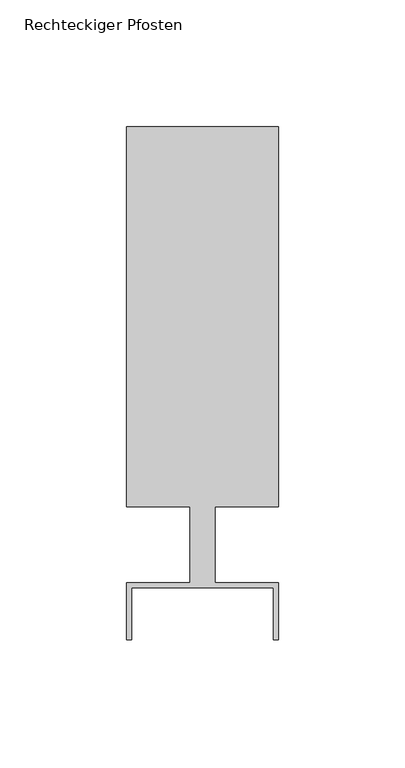
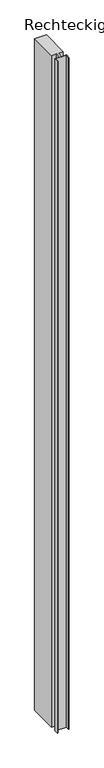
"""IFC4 building model written with IfcOpenShell, lengths in millimetres: member geometry, Rechteckiger Pfosten."""

from ifc_helpers import new_model, si_unit, frame, origin, place, context, project, spatial, polyline, outline, extrude, source, transform, mapped, element, save


def rechteckiger_pfosten_5e9ba6ce(model_context):
    return source(origin(), model_context, "Body", "SweptSolid", [
        extrude(outline(polyline([(28.0, -37.5), (28.0, -17.0), (-28.0, -17.0), (-28.0, -37.5), (-30.0, -37.5), (-30.0, -15.0), (-5.0, -15.0), (-5.0, 15.0), (-30.0, 15.0), (-30.0, 165.0), (30.0, 165.0), (30.0, 15.0), (5.0, 15.0), (5.0, -15.0), (30.0, -15.0), (30.0, -37.5), (28.0, -37.5)])), frame((0.0, 0.0, -3650.0), z_axis=(0.0, 0.0, 1.0), x_axis=(1.0, 0.0, 0.0)), (0.0, 0.0, 1.0), 3650.0),
    ])


if __name__ == "__main__":
    model = new_model("IFC4")
    model_context = context("Model", 3, world=origin())
    ifc_project = project(units=[si_unit("LENGTHUNIT", "METRE", prefix="MILLI")], contexts=[model_context])
    site = spatial("IfcSite", under=ifc_project)
    building = spatial("IfcBuilding", under=site)
    placement = place(None, origin())
    rechteckiger_pfosten_shape = rechteckiger_pfosten_5e9ba6ce(model_context)
    element("IfcMember", 1, ObjectType="Rechteckiger Pfosten", at=placement, inside=building, context=model_context, shape_type="MappedRepresentation", body=[
        mapped(rechteckiger_pfosten_shape, transform((0.0, 0.0, 0.0), x_axis=(1.0, 0.0, 0.0), y_axis=(0.0, 1.0, 0.0), z_axis=(0.0, 0.0, 1.0))),
    ])
    save(model, "model.ifc")
